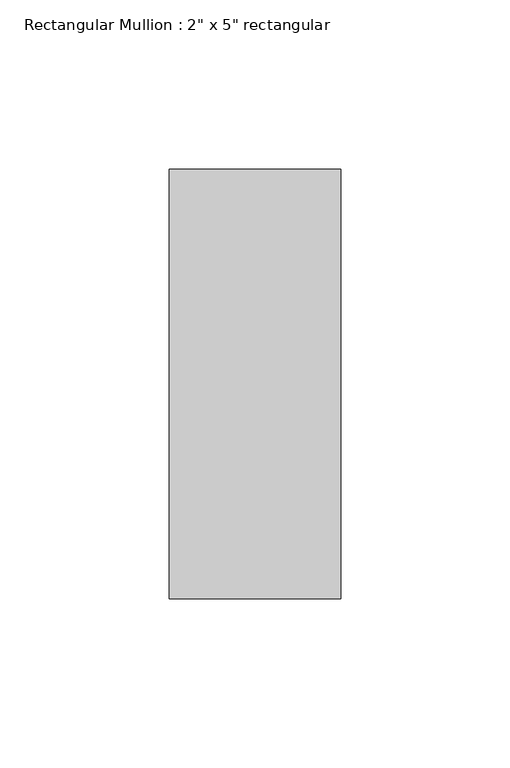
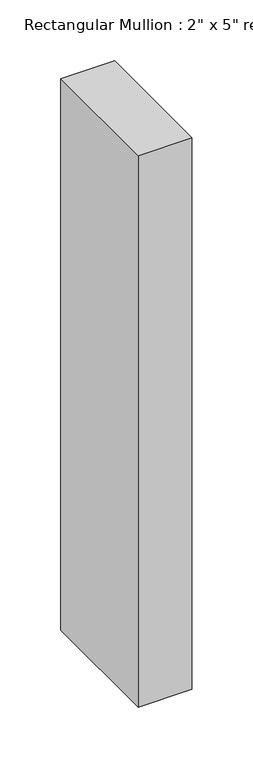
"""IFC4 building model written with IfcOpenShell, lengths in millimetres: member geometry."""

from ifc_helpers import new_model, si_unit, frame, origin, place, context, project, spatial, polyline, outline, extrude, source, transform, mapped, element, save


def member_27b8aacd(model_context):
    return source(origin(), model_context, "Body", "SweptSolid", [
        extrude(outline(polyline([(0.0, 63.5), (0.0, -63.5), (-50.8, -63.5), (-50.8, 63.5), (0.0, 63.5)])), frame((0.0, 0.0, -552.45), z_axis=(0.0, 0.0, 1.0), x_axis=(1.0, 0.0, 0.0)), (0.0, 0.0, 1.0), 552.45),
    ])


if __name__ == "__main__":
    model = new_model("IFC4")
    model_context = context("Model", 3, world=origin())
    ifc_project = project(units=[si_unit("LENGTHUNIT", "METRE", prefix="MILLI")], contexts=[model_context])
    site = spatial("IfcSite", under=ifc_project)
    building = spatial("IfcBuilding", under=site)
    placement = place(None, origin())
    member_shape = member_27b8aacd(model_context)
    element("IfcMember", 1, ObjectType="Rectangular Mullion : 2\" x 5\" rectangular", at=placement, inside=building, context=model_context, shape_type="MappedRepresentation", body=[
        mapped(member_shape, transform((0.0, 0.0, 0.0), x_axis=(1.0, 0.0, 0.0), y_axis=(0.0, 1.0, 0.0), z_axis=(0.0, 0.0, 1.0))),
    ])
    save(model, "model.ifc")
